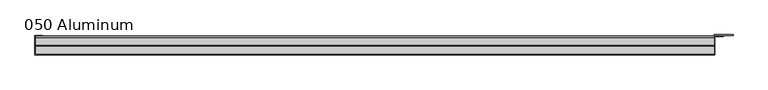
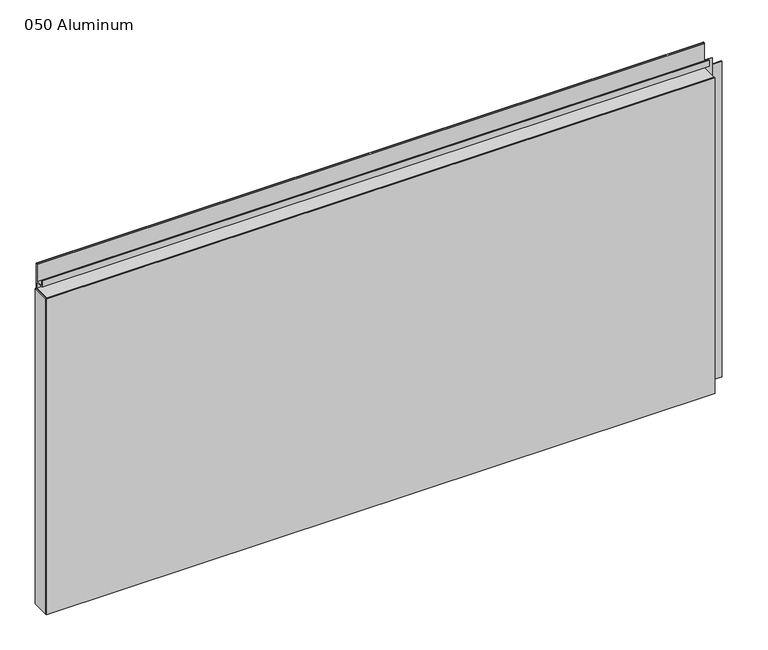
"""IFC4 building model written with IfcOpenShell, lengths in millimetres: plate geometry, 050 Aluminum."""

from ifc_helpers import new_model, si_unit, point, frame, frame_2d, origin, origin_with_axes, place, context, project, spatial, polyline, circle_curve, trimmed, segment, composite_curve, outline, extrude, source, transform, mapped, element, save


def plate_050_aluminum_d17b6f33(model_context):
    return source(origin(), model_context, "Body", "SweptSolid", [
        extrude(outline(polyline([(-614.68, -2.5660257), (-614.68, -34.7980001), (-615.9499999, -34.7980001), (-615.9499999, -1.2699999), (-601.7894994, -1.2699999), (-601.7894994, -2.5660257), (-614.68, -2.5660257)])), origin_with_axes(), (0.0, 0.0, 1.0), 608.33),
        extrude(outline(composite_curve([segment(polyline([(-16.6765477, 13.1458337), (-16.6765477, 2.786437), (-17.9464915, 2.786437), (-17.9464915, 13.1323356)]), True, "CONTINUOUS"), segment(trimmed(circle_curve(frame_2d((-19.8514743, 13.124237)), 1.905), [point((-17.9464915, 13.1323356))], [point((-21.7564743, 13.124237))], True, "CARTESIAN"), True, "CONTINUOUS"), segment(polyline([(-21.7564743, 13.124237), (-21.7564743, 0.0), (-34.7980002, 0.0), (-34.7980002, 1.2693678), (-23.0264743, 1.2693678), (-23.0264743, 13.124237)]), True, "CONTINUOUS"), segment(trimmed(circle_curve(frame_2d((-19.8514743, 13.124237)), 3.175), [point((-23.0264743, 13.124237))], [point((-16.6765477, 13.1458337))], False, "CARTESIAN"), True, "CONTINUOUS")], self_intersect=False)), frame((-614.68, 0.0, 0.0), z_axis=(1.0, 0.0, 0.0), x_axis=(0.0, 1.0, 0.0)), (0.0, 0.0, 1.0), 1216.66),
        extrude(outline(composite_curve([segment(polyline([(-2.0574743, 656.7932001), (-2.0574743, 608.33), (-34.7980002, 608.33), (-34.7980002, 609.6000001), (-3.3274743, 609.6000001), (-3.3274743, 656.7932001)]), True, "CONTINUOUS"), segment(trimmed(circle_curve(frame_2d((-3.7084742, 656.7932001)), 0.3809999), [point((-3.3274743, 656.7932001))], [point((-4.0894742, 656.7932001))], True, "CARTESIAN"), True, "CONTINUOUS"), segment(polyline([(-4.0894742, 656.7932001), (-4.0894742, 622.3), (-20.4864742, 622.3), (-20.4864742, 633.6538), (-19.2164743, 633.6538), (-19.2164743, 623.57), (-5.3594742, 623.57), (-5.3594742, 656.7932001)]), True, "CONTINUOUS"), segment(trimmed(circle_curve(frame_2d((-3.7084742, 656.7932001)), 1.6509999), [point((-5.3594742, 656.7932001))], [point((-2.0574743, 656.7932001))], False, "CARTESIAN"), True, "CONTINUOUS")], self_intersect=False)), frame((-614.68, 0.0, 0.0), z_axis=(1.0, 0.0, 0.0), x_axis=(0.0, 1.0, 0.0)), (0.0, 0.0, 1.0), 1216.66),
        extrude(outline(polyline([(-615.95, -36.068), (-615.95, -34.7980001), (603.25, -34.7980001), (603.25, -36.068), (-615.95, -36.068)])), origin_with_axes(), (0.0, 0.0, 1.0), 609.6),
        extrude(outline(polyline([(603.25, -1.2699999), (603.25, -34.7980002), (601.9800001, -34.7980002), (601.9800001, 0.0), (635.7620856, 0.0), (635.7620856, -1.2699999), (603.25, -1.2699999)])), origin_with_axes(), (0.0, 0.0, 1.0), 608.33),
        extrude(outline(polyline([(601.98, -3.3274743), (601.98, -2.0574743), (617.7279999, -2.0574743), (617.7279999, -3.3274743), (601.98, -3.3274743)])), origin_with_axes(), (0.0, 0.0, 1.0), 622.3),
    ])


if __name__ == "__main__":
    model = new_model("IFC4")
    model_context = context("Model", 3, world=origin())
    ifc_project = project(units=[si_unit("LENGTHUNIT", "METRE", prefix="MILLI")], contexts=[model_context])
    site = spatial("IfcSite", under=ifc_project)
    building = spatial("IfcBuilding", under=site)
    placement = place(None, origin())
    plate_050_aluminum_shape = plate_050_aluminum_d17b6f33(model_context)
    element("IfcPlate", 1, ObjectType="050 Aluminum", at=placement, inside=building, context=model_context, shape_type="MappedRepresentation", body=[
        mapped(plate_050_aluminum_shape, transform((0.0, 0.0, 0.0), x_axis=(1.0, 0.0, 0.0), y_axis=(0.0, 1.0, 0.0), z_axis=(0.0, 0.0, 1.0))),
    ])
    save(model, "model.ifc")
